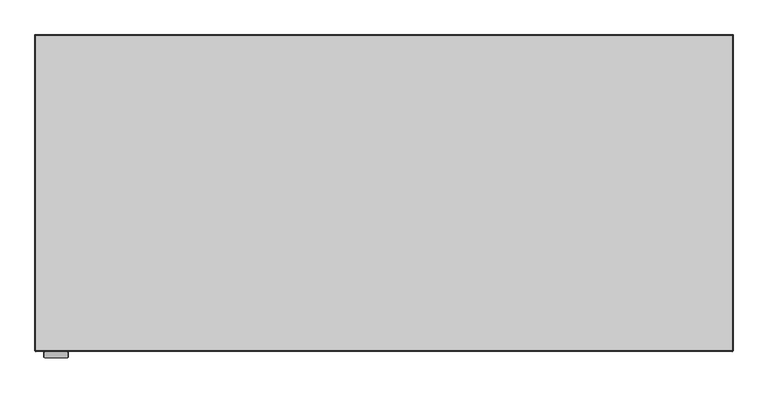
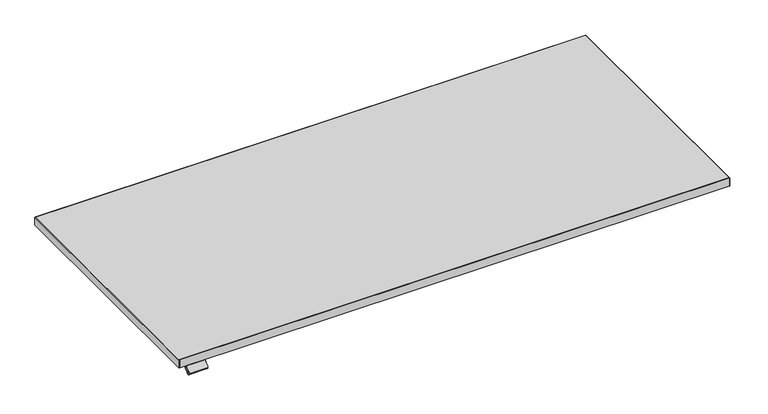
"""IFC4 building model written with IfcOpenShell, lengths in millimetres: furniture geometry."""

from ifc_helpers import new_model, si_unit, point, frame, frame_2d, origin, place, context, project, spatial, polyline, circle_curve, trimmed, segment, composite_curve, outline, extrude, faceted_brep, source, transform, mapped, element, save
from ifc_brep_helpers import plane_surface, cylinder_surface, advanced_brep


def furniture_21332aa7(model_context):
    return source(origin(), model_context, "Body", "SolidModel", [
        advanced_brep(
        [(-712.1377438, -419.5454312, 714.902), (-712.1377438, -451.6, 714.902), (-662.6377614, -451.6, 714.902), (-662.6377614, -419.5454312, 714.902), (-662.6377614, -419.5454312, 707.1581454), (-662.6377614, -446.6161373, 707.1581454), (-712.1377438, -446.6161373, 707.1581454), (-712.1377438, -419.5454312, 707.1581454), (-662.6377614, -451.6, 711.3662703), (-662.6377614, -449.1527665, 713.8135038), (-662.6377614, -444.5567727, 709.21751), (-712.1377438, -451.6, 711.3662703), (-712.1377438, -444.5567727, 709.21751), (-712.1377438, -449.1527665, 713.8135038), (-661.1885979, -449.1527665, 713.8135038), (-713.486, -449.1527665, 713.8135038), (-715.518, -450.5896075, 712.3766628), (-715.518, -464.8280905, 698.1381797), (-713.486, -466.2649315, 696.7013388), (-661.5656329, -466.2649315, 696.7013388), (-659.3357614, -464.6881742, 698.2780961), (-659.3357614, -450.4629198, 712.5033505), (-713.486, -444.5567727, 709.21751), (-661.1885979, -444.5567727, 709.21751), (-659.3357614, -445.866926, 707.9073567), (-659.3357614, -460.0921804, 693.6821023), (-661.5656329, -461.6689377, 692.105345), (-713.486, -461.6689377, 692.105345), (-715.518, -460.2320967, 693.542186), (-715.518, -445.9936137, 707.780669)],
        [
            (0, 1),
            (1, 2),
            (2, 3),
            (3, 0),
            (4, 5),
            (5, 6),
            (6, 7),
            (7, 4),
            (3, 4),
            (7, 0),
            (2, 8),
            (8, 9),
            (9, 10),
            (10, 5),
            (1, 11),
            (11, 8),
            (6, 12),
            (12, 13),
            (13, 11),
            (14, 9),
            (13, 15),
            (15, 16, circle_curve(frame((-713.486, -450.5896075, 712.3766628), z_axis=(0.0, -0.7071067811865493, 0.7071067811865457), x_axis=(0.0, -0.7071067811865457, -0.7071067811865493)), 2.032)),
            (16, 17),
            (17, 18, circle_curve(frame((-713.486, -464.8280905, 698.1381797), z_axis=(0.0, -0.7071067811865493, 0.7071067811865457), x_axis=(0.0, -0.7071067811865457, -0.7071067811865493)), 2.032)),
            (18, 19),
            (19, 20, circle_curve(frame((-661.5656329, -464.6881742, 698.2780961), z_axis=(0.0, -0.7071067811865493, 0.7071067811865457), x_axis=(0.0, -0.7071067811865457, -0.7071067811865493)), 2.2298716)),
            (20, 21),
            (21, 14, circle_curve(frame((-661.1885979, -450.4629198, 712.5033505), z_axis=(0.0, -0.7071067811865493, 0.7071067811865457), x_axis=(0.0, -0.7071067811865457, -0.7071067811865493)), 1.8528366)),
            (22, 12),
            (10, 23),
            (23, 24, circle_curve(frame((-661.1885979, -445.866926, 707.9073567), z_axis=(0.0, 0.7071067811865493, -0.7071067811865457), x_axis=(0.0, -0.7071067811865457, -0.7071067811865493)), 1.8528366)),
            (24, 25),
            (25, 26, circle_curve(frame((-661.5656329, -460.0921804, 693.6821023), z_axis=(0.0, 0.7071067811865493, -0.7071067811865457), x_axis=(0.0, -0.7071067811865457, -0.7071067811865493)), 2.2298716)),
            (26, 27),
            (27, 28, circle_curve(frame((-713.486, -460.2320967, 693.542186), z_axis=(0.0, 0.7071067811865493, -0.7071067811865457), x_axis=(0.0, -0.7071067811865457, -0.7071067811865493)), 2.032)),
            (28, 29),
            (29, 22, circle_curve(frame((-713.486, -445.9936137, 707.780669), z_axis=(0.0, 0.7071067811865493, -0.7071067811865457), x_axis=(0.0, -0.7071067811865457, -0.7071067811865493)), 2.032)),
            (22, 15),
            (14, 23),
            (21, 24),
            (20, 25),
            (19, 26),
            (18, 27),
            (17, 28),
            (16, 29),
        ],
        [
            plane_surface(frame((-662.6377614, -419.5454312, 714.902), z_axis=(0.0, 0.0, 1.0), x_axis=(1.0, 0.0, 0.0))),
            plane_surface(frame((-662.6377614, -419.5454312, 707.1581454), z_axis=(0.0, 0.0, -1.0), x_axis=(-1.0, 0.0, 0.0))),
            plane_surface(frame((-712.1377438, -419.5454312, 714.902), z_axis=(0.0, 1.0, 0.0), x_axis=(0.0, 0.0, -1.0))),
            plane_surface(frame((-662.6377614, -419.5454312, 714.902), z_axis=(1.0, 0.0, 0.0), x_axis=(0.0, 0.0, -1.0))),
            plane_surface(frame((-662.6377614, -451.6, 714.902), z_axis=(0.0, -1.0, 0.0), x_axis=(0.0, 0.0, -1.0))),
            plane_surface(frame((-712.1377438, -451.6, 714.902), z_axis=(-1.0, 0.0, 0.0), x_axis=(0.0, 0.0, -1.0))),
            plane_surface(frame((-661.1885979, -449.1527665, 713.8135038), z_axis=(0.0, -0.7071067811865493, 0.7071067811865457), x_axis=(1.0, 0.0, 0.0))),
            plane_surface(frame((-661.1885979, -444.5567727, 709.21751), z_axis=(0.0, 0.7071067811865493, -0.7071067811865457), x_axis=(-1.0, 0.0, 0.0))),
            plane_surface(frame((-713.486, -449.1527665, 713.8135038), z_axis=(0.0, 0.7071067811865476, 0.7071067811865476), x_axis=(0.0, 0.7071067811865476, -0.7071067811865476))),
            cylinder_surface(frame((-661.1885979, -445.866926, 707.9073567), z_axis=(0.0, -0.7071067811865493, 0.7071067811865457), x_axis=(0.0, -0.7071067811865457, -0.7071067811865493)), 1.8528366),
            plane_surface(frame((-659.3357614, -450.4629198, 712.5033505), z_axis=(1.0000000000000002, 0.0, 0.0), x_axis=(0.0, 0.7071067811865476, -0.7071067811865476))),
            cylinder_surface(frame((-661.5656329, -460.0921804, 693.6821023), z_axis=(0.0, -0.7071067811865493, 0.7071067811865457), x_axis=(0.0, -0.7071067811865457, -0.7071067811865493)), 2.2298716),
            plane_surface(frame((-661.5656329, -466.2649315, 696.7013388), z_axis=(0.0, -0.7071067811865476, -0.7071067811865476), x_axis=(0.0, 0.7071067811865476, -0.7071067811865476))),
            cylinder_surface(frame((-713.486, -460.2320967, 693.542186), z_axis=(0.0, -0.7071067811865493, 0.7071067811865457), x_axis=(0.0, -0.7071067811865457, -0.7071067811865493)), 2.032),
            plane_surface(frame((-715.518, -464.8280905, 698.1381797), z_axis=(-1.0, 0.0, 0.0), x_axis=(0.0, 0.7071067811865527, -0.7071067811865424))),
            cylinder_surface(frame((-713.486, -445.9936137, 707.780669), z_axis=(0.0, -0.7071067811865493, 0.7071067811865457), x_axis=(0.0, -0.7071067811865457, -0.7071067811865493)), 2.032),
        ],
        [
            (0, [[1, 2, 3, 4]]),
            (1, [[5, 6, 7, 8]]),
            (2, [[9, -8, 10, -4]]),
            (3, [[11, 12, 13, 14, -5, -9, -3]]),
            (4, [[15, 16, -11, -2]]),
            (5, [[-10, -7, 17, 18, 19, -15, -1]]),
            (6, [[20, -12, -16, -19, 21, 22, 23, 24, 25, 26, 27, 28]]),
            (7, [[29, -17, -6, -14, 30, 31, 32, 33, 34, 35, 36, 37]]),
            (8, [[-21, -18, -29, 38]]),
            (8, [[-30, -13, -20, 39]]),
            (9, [[40, -31, -39, -28]]),
            (10, [[41, -32, -40, -27]]),
            (11, [[42, -33, -41, -26]]),
            (12, [[43, -34, -42, -25]]),
            (13, [[44, -35, -43, -24]]),
            (14, [[45, -36, -44, -23]]),
            (15, [[-38, -37, -45, -22]]),
        ],
    ),
        extrude(outline(composite_curve([segment(polyline([(48.6765212, 0.0), (0.0, 0.0)]), True, "CONTINUOUS"), segment(trimmed(circle_curve(frame_2d((0.0, 2.8504615)), 2.8504615), [point((0.0, 0.0))], [point((-2.8504616, 2.8504615))], False, "CARTESIAN"), True, "CONTINUOUS"), segment(polyline([(-2.8504616, 2.8504615), (-2.8504616, 19.0283589)]), True, "CONTINUOUS"), segment(trimmed(circle_curve(frame_2d((-0.0003332, 19.0283589)), 2.8501284), [point((-2.8504616, 19.0283589))], [point((-0.0003332, 21.8784873))], False, "CARTESIAN"), True, "CONTINUOUS"), segment(polyline([(-0.0003332, 21.8784873), (48.7382411, 21.8784873)]), True, "CONTINUOUS"), segment(trimmed(circle_curve(frame_2d((48.7382411, 18.8922072)), 2.9862801), [point((48.7382411, 21.8784873))], [point((51.7245212, 18.8922072))], False, "CARTESIAN"), True, "CONTINUOUS"), segment(polyline([(51.7245212, 18.8922072), (51.7245212, 3.048)]), True, "CONTINUOUS"), segment(trimmed(circle_curve(frame_2d((48.6765212, 3.048)), 3.048), [point((51.7245212, 3.048))], [point((48.6765212, 0.0))], False, "CARTESIAN"), True, "CONTINUOUS")], self_intersect=False)), frame((-662.8979479, -443.782049, 706.7937033), z_axis=(0.0, -0.7071067811865493, 0.7071067811865457), x_axis=(-1.0, 0.0, 0.0)), (0.0, 0.0, 1.0), 11.2615577),
        extrude(outline(polyline([(-735.8379612, -450.0014375), (888.237937, -450.0014375), (886.6393744, -451.6), (-734.2393744, -451.6), (-735.8379612, -450.0014375)])), frame((0.0, 0.0, 714.902), z_axis=(0.0, 0.0, 1.0), x_axis=(1.0, 0.0, 0.0)), (0.0, 0.0, 1.0), 25.0),
        faceted_brep([(886.6395821, -451.5997924, 714.902), (887.1783794, -452.1386142, 715.6639919), (887.1783794, -452.1386142, 739.1400081), (886.6395821, -451.5997924, 739.902), (888.9996132, -450.3174632, 739.1400081), (888.9996132, -450.3174632, 715.6639919), (888.9996132, 285.0003864, 715.6639919), (888.9996132, 285.0003864, 739.1400081), (888.2376214, -450.0018257, 714.902), (888.2376214, -450.0018257, 739.902), (888.2376214, 284.2383946, 739.902), (888.2376214, 284.2383946, 714.902), (-736.6, 285.0003864, 715.6639919), (-736.6, 285.0003864, 739.1400081), (-735.8380081, 284.2383946, 739.902), (-735.8380081, 284.2383946, 714.902), (-734.2395821, -451.5997924, 714.902), (-734.2395821, -451.5997924, 739.902), (-734.7783876, -452.138606, 739.1400081), (-734.7783876, -452.138606, 715.6639919), (-736.6, -450.3170212, 715.6639919), (-736.6, -450.3170212, 739.1400081), (-735.8380081, -450.0013905, 739.902), (-735.8380081, -450.0013905, 714.902)], [[[0, 1, 2, 3]], [[4, 5, 6, 7]], [[8, 9, 10, 11]], [[7, 6, 12, 13]], [[11, 10, 14, 15]], [[16, 17, 18, 19]], [[13, 12, 20, 21]], [[15, 14, 22, 23]], [[5, 8, 11, 6]], [[9, 4, 7, 10]], [[6, 11, 15, 12]], [[10, 7, 13, 14]], [[12, 15, 23, 20]], [[14, 13, 21, 22]], [[1, 0, 8, 5]], [[2, 1, 5, 4]], [[3, 2, 4, 9]], [[0, 3, 9, 8]], [[20, 23, 16, 19]], [[21, 20, 19, 18]], [[22, 21, 18, 17]], [[23, 22, 17, 16]]]),
        extrude(outline(polyline([(888.2376214, 284.2383946), (888.2376214, -450.0014375), (-735.8380081, -450.0014375), (-735.8380081, 284.2383946), (888.2376214, 284.2383946)])), frame((0.0, 0.0, 714.902), z_axis=(0.0, 0.0, 1.0), x_axis=(1.0, 0.0, 0.0)), (0.0, 0.0, 1.0), 25.0),
    ])


if __name__ == "__main__":
    model = new_model("IFC4")
    model_context = context("Model", 3, world=origin())
    ifc_project = project(units=[si_unit("LENGTHUNIT", "METRE", prefix="MILLI")], contexts=[model_context])
    site = spatial("IfcSite", under=ifc_project)
    building = spatial("IfcBuilding", under=site)
    placement = place(None, origin())
    furniture_shape = furniture_21332aa7(model_context)
    element("IfcFurniture", 1, at=placement, inside=building, context=model_context, shape_type="MappedRepresentation", body=[
        mapped(furniture_shape, transform((0.0, 0.0, 0.0), x_axis=(1.0, 0.0, 0.0), y_axis=(0.0, 1.0, 0.0), z_axis=(0.0, 0.0, 1.0))),
    ])
    save(model, "model.ifc")
